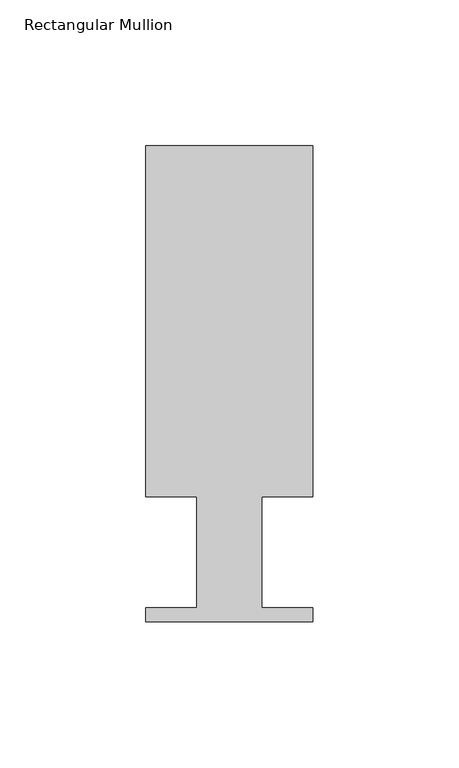
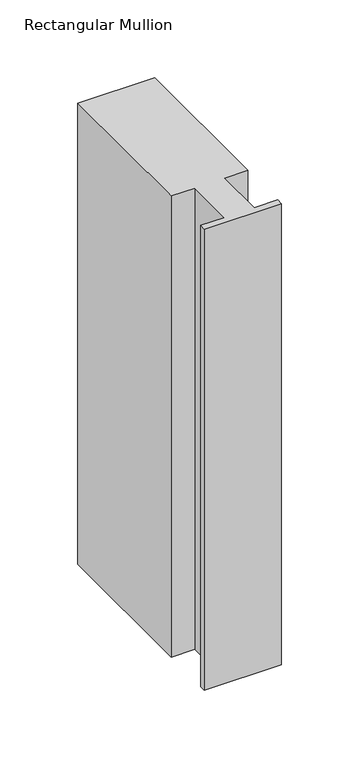
"""IFC4 building model written with IfcOpenShell, lengths in millimetres: member geometry, Rectangular Mullion."""

from ifc_helpers import new_model, si_unit, frame, origin, place, context, project, spatial, polyline, outline, extrude, source, transform, mapped, element, save


def rectangular_mullion_8d1454f4(model_context):
    return source(origin(), model_context, "Body", "SweptSolid", [
        extrude(outline(polyline([(0.0, 151.892), (0.0, 31.75), (-17.4752, 31.75), (-17.4752, -6.35), (0.0, -6.35), (0.0, -11.176), (-57.15, -11.176), (-57.15, -6.35), (-39.6875, -6.35), (-39.6875, 31.75), (-57.15, 31.75), (-57.15, 151.892), (0.0, 151.892)])), frame((0.0, 0.0, -362.4460937), z_axis=(0.0, 0.0, 1.0), x_axis=(1.0, 0.0, 0.0)), (0.0, 0.0, 1.0), 362.4460937),
    ])


if __name__ == "__main__":
    model = new_model("IFC4")
    model_context = context("Model", 3, world=origin())
    ifc_project = project(units=[si_unit("LENGTHUNIT", "METRE", prefix="MILLI")], contexts=[model_context])
    site = spatial("IfcSite", under=ifc_project)
    building = spatial("IfcBuilding", under=site)
    placement = place(None, origin())
    rectangular_mullion_shape = rectangular_mullion_8d1454f4(model_context)
    element("IfcMember", 1, ObjectType="Rectangular Mullion", at=placement, inside=building, context=model_context, shape_type="MappedRepresentation", body=[
        mapped(rectangular_mullion_shape, transform((0.0, 0.0, 0.0), x_axis=(1.0, 0.0, 0.0), y_axis=(0.0, 1.0, 0.0), z_axis=(0.0, 0.0, 1.0))),
    ])
    save(model, "model.ifc")
